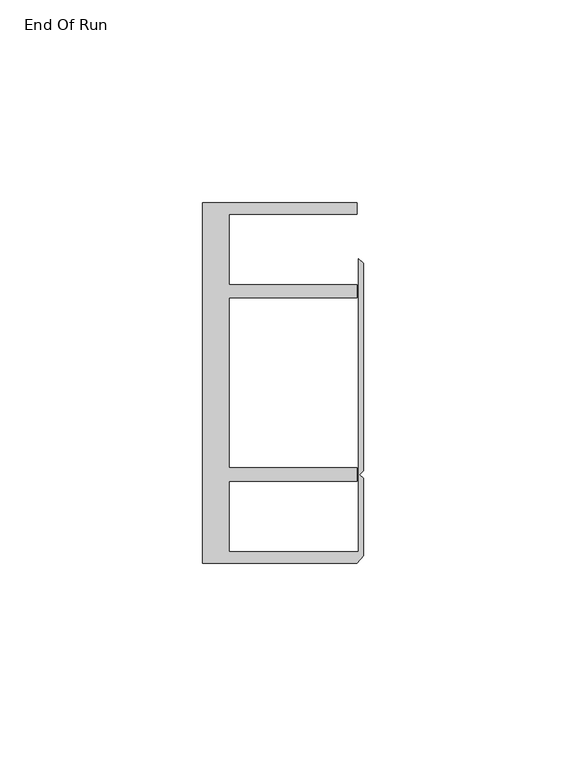
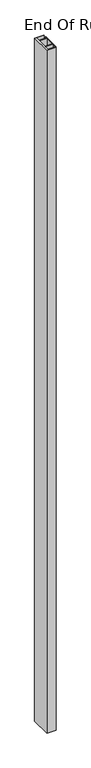
"""IFC4 building model written with IfcOpenShell, lengths in millimetres: furniture geometry, End Of Run."""

import ifcopenshell
import ifcopenshell.guid

model = None  # the IFC model being written
_history = None  # IfcOwnerHistory: only IFC2X3 demands one
_inside = {}  # id of a spatial element -> (the spatial element, [elements in it])
_under = {}  # id of a project, library or spatial element -> (it, [spatial elements below it])
_declared = {}  # id of a project -> (the project, [libraries it declares])
_typed = {}  # id of a type object -> (the type object, [elements of that type])
_made_of = {}  # id of a material, layer set ... -> (it, [elements and type objects made of it])


def new_model(schema):
    """Start an empty IFC model of exactly this schema.

    Asked for "IFC4X3", IfcOpenShell would pick the latest addendum, in which some entities
    have other attributes; the version numbers below select the first issue.
    IFC2X3 requires an IfcOwnerHistory on every rooted entity: one is made here for all.
    """
    global model, _history
    if schema == "IFC4X3":
        model = ifcopenshell.file(schema_version=(4, 3, 0, 0))
    else:
        model = ifcopenshell.file(schema=schema)
    _inside.clear()
    _under.clear()
    _declared.clear()
    _typed.clear()
    _made_of.clear()
    _history = None
    if model.schema == "IFC2X3":
        org = make("IfcOrganization", Name="unknown")
        user = make(
            "IfcPersonAndOrganization",
            ThePerson=make("IfcPerson", FamilyName="unknown"),
            TheOrganization=org,
        )
        app = make(
            "IfcApplication",
            ApplicationDeveloper=org,
            Version="unknown",
            ApplicationFullName="unknown",
            ApplicationIdentifier="unknown",
        )
        _history = make(
            "IfcOwnerHistory",
            OwningUser=user,
            OwningApplication=app,
            ChangeAction="ADDED",
            CreationDate=0,
        )
    return model


def make(cls, **values):
    """One entity of the class cls with the attributes given. An attribute that is None is left unset."""
    return model.create_entity(
        cls, **{name: value for name, value in values.items() if value is not None}
    )


def rooted(cls, **values):
    """An entity with a GlobalId (a new one), such as an element, a storey or a relation."""
    return make(cls, GlobalId=ifcopenshell.guid.new(), OwnerHistory=_history, **values)


def si_unit(unit_type, name, prefix=None):
    """IfcSIUnit, for example si_unit("LENGTHUNIT", "METRE", prefix="MILLI")."""
    return make("IfcSIUnit", UnitType=unit_type, Prefix=prefix, Name=name)


def assignment(units):
    """IfcUnitAssignment: the units of a project."""
    return None if units is None else make("IfcUnitAssignment", Units=units)


def point(xyz):
    """IfcCartesianPoint."""
    return None if xyz is None else make("IfcCartesianPoint", Coordinates=xyz)


def direction(xyz):
    """IfcDirection."""
    return None if xyz is None else make("IfcDirection", DirectionRatios=xyz)


def frame(location, z_axis=None, x_axis=None):
    """IfcAxis2Placement3D, a coordinate frame: its origin and axes. An axis left out is left unset."""
    return make(
        "IfcAxis2Placement3D",
        Location=point(location),
        Axis=direction(z_axis),
        RefDirection=direction(x_axis),
    )


def origin():
    """The frame at (0, 0, 0) with its axes left unset."""
    return frame((0.0, 0.0, 0.0))


def origin_with_axes():
    """The frame at (0, 0, 0) with the z axis (0, 0, 1) and the x axis (1, 0, 0) written out."""
    return frame((0.0, 0.0, 0.0), z_axis=(0.0, 0.0, 1.0), x_axis=(1.0, 0.0, 0.0))


def place(relative_to, where):
    """IfcLocalPlacement: puts the frame where relative to a parent placement (None: the world)."""
    return make(
        "IfcLocalPlacement", PlacementRelTo=relative_to, RelativePlacement=where
    )


def context(
    kind, dimensions, precision=None, world=None, true_north=None, identifier=None
):
    """IfcGeometricRepresentationContext, for example the 3D "Model" context."""
    return make(
        "IfcGeometricRepresentationContext",
        ContextIdentifier=identifier,
        ContextType=kind,
        CoordinateSpaceDimension=dimensions,
        Precision=precision,
        WorldCoordinateSystem=world,
        TrueNorth=true_north,
    )


def project(units=None, contexts=None):
    """IfcProject with its units and contexts."""
    return rooted(
        "IfcProject",
        Name="project",
        RepresentationContexts=contexts,
        UnitsInContext=assignment(units),
    )


def spatial(cls, under=None, at=None, **own):
    """A site, building, storey or space (cls), placed at a placement, below another one or the project."""
    s = rooted(cls, ObjectPlacement=at, **own)
    if under is not None:
        _under.setdefault(under.id(), (under, []))[1].append(s)
    return s


def polyline(points):
    """IfcPolyline through the points."""
    return make("IfcPolyline", Points=[point(p) for p in points])


def outline(outer, holes=None, kind="AREA"):
    """IfcArbitraryClosedProfileDef: a profile drawn as a closed curve; with holes, ...WithVoids."""
    if holes is None:
        return make("IfcArbitraryClosedProfileDef", ProfileType=kind, OuterCurve=outer)
    return make(
        "IfcArbitraryProfileDefWithVoids",
        ProfileType=kind,
        OuterCurve=outer,
        InnerCurves=holes,
    )


def extrude(swept, where, along, depth):
    """IfcExtrudedAreaSolid: the profile swept, set in the frame where, extruded along a direction by depth."""
    return make(
        "IfcExtrudedAreaSolid",
        SweptArea=swept,
        Position=where,
        ExtrudedDirection=direction(along),
        Depth=depth,
    )


def shape(context_of_items, identifier, shape_type, items):
    """IfcShapeRepresentation: the items that make up one representation, for example the "Body"."""
    return make(
        "IfcShapeRepresentation",
        ContextOfItems=context_of_items,
        RepresentationIdentifier=identifier,
        RepresentationType=shape_type,
        Items=items,
    )


def source(mapping_origin, context_of_items, identifier, shape_type, items):
    """IfcRepresentationMap: a shape defined once, which mapped items show again and again."""
    return make(
        "IfcRepresentationMap",
        MappingOrigin=mapping_origin,
        MappedRepresentation=shape(context_of_items, identifier, shape_type, items),
    )


def transform(
    local_origin,
    x_axis=None,
    y_axis=None,
    z_axis=None,
    scale=None,
    scale2=None,
    scale3=None,
    uniform=True,
):
    """IfcCartesianTransformationOperator3D, or its non-uniform kind. x_axis, y_axis, z_axis: its Axis1, 2, 3."""
    if uniform:
        return make(
            "IfcCartesianTransformationOperator3D",
            Axis1=direction(x_axis),
            Axis2=direction(y_axis),
            LocalOrigin=point(local_origin),
            Scale=scale,
            Axis3=direction(z_axis),
        )
    return make(
        "IfcCartesianTransformationOperator3DnonUniform",
        Axis1=direction(x_axis),
        Axis2=direction(y_axis),
        LocalOrigin=point(local_origin),
        Scale=scale,
        Axis3=direction(z_axis),
        Scale2=scale2,
        Scale3=scale3,
    )


def mapped(mapping_source, mapping_target):
    """IfcMappedItem: shows the shape of a source again, moved by a transform."""
    return make(
        "IfcMappedItem", MappingSource=mapping_source, MappingTarget=mapping_target
    )


def made_of(thing, what):
    """Note that an element or type object is made of a material, layer set ...; save() writes the relation."""
    if what is not None:
        _made_of.setdefault(what.id(), (what, []))[1].append(thing)
    return thing


def element(
    cls,
    number,
    at=None,
    inside=None,
    cuts=None,
    type_object=None,
    material=None,
    context=None,
    identifier="Body",
    shape_type=None,
    held_by="IfcProductDefinitionShape",
    body=None,
    shapes=None,
    **own,
):
    """One element of the class cls, such as IfcWall. Its Tag is "e" and its number.

    at: its placement. inside: the storey or other place that contains it. cuts: it is an
    opening in that element (IfcRelVoidsElement). A single representation is given by context,
    identifier, shape_type and body (its items); several are given by shapes. held_by: the class
    of the entity that holds the representations. save() writes the other relations.
    """
    e = rooted(cls, Tag="e%d" % number, ObjectPlacement=at, **own)
    if body is not None:
        shapes = [shape(context, identifier, shape_type, body)]
    if shapes is not None:
        e.Representation = make(held_by, Representations=shapes)
    if inside is not None:
        _inside.setdefault(inside.id(), (inside, []))[1].append(e)
    if cuts is not None:
        rooted(
            "IfcRelVoidsElement", RelatingBuildingElement=cuts, RelatedOpeningElement=e
        )
    if type_object is not None:
        _typed.setdefault(type_object.id(), (type_object, []))[1].append(e)
    return made_of(e, material)


def aggregate(whole, parts):
    """IfcRelAggregates: a whole, such as a stair, and the parts it consists of."""
    return rooted("IfcRelAggregates", RelatingObject=whole, RelatedObjects=parts)


def save(model, path):
    """Write the relations noted so far, then the file.

    IfcRelAggregates (storeys below a building ...), IfcRelContainedInSpatialStructure (elements
    in a storey), IfcRelDefinesByType, IfcRelAssociatesMaterial and IfcRelDeclares: one each for
    every whole, place, type object, material and project.
    """
    for whole, parts in _under.values():
        aggregate(whole, parts)
    for where, things in _inside.values():
        rooted(
            "IfcRelContainedInSpatialStructure",
            RelatedElements=things,
            RelatingStructure=where,
        )
    for kind, things in _typed.values():
        rooted("IfcRelDefinesByType", RelatedObjects=things, RelatingType=kind)
    for what, things in _made_of.values():
        rooted("IfcRelAssociatesMaterial", RelatedObjects=things, RelatingMaterial=what)
    for by, libraries in _declared.values():
        rooted("IfcRelDeclares", RelatingContext=by, RelatedDefinitions=libraries)
    model.write(path)


def end_of_run_9b0afcb5(model_context):
    return source(origin(), model_context, "Body", "SweptSolid", [
        extrude(outline(polyline([(29.9771531, 59.951805), (68.0771531, 59.951805), (68.0771531, 57.1518064), (36.5771534, 57.1518064), (36.5771534, 39.7518058), (68.0771531, 39.7518058), (68.0771531, 36.4518057), (36.5771534, 36.4518057), (36.5771534, -5.4481956), (68.0771531, -5.4481956), (68.0771531, -8.7481957), (36.5771534, -8.7481957), (36.5771534, -26.1481963), (68.5195633, -26.1481963), (68.5195633, 46.1177636), (69.6646531, 44.9726737), (69.6646531, -6.2135897), (68.7563205, -7.1219223), (69.6646531, -8.0302549), (69.6646531, -27.0760904), (68.0771531, -28.948195), (29.9771531, -28.948195), (29.9771531, 59.951805)])), origin_with_axes(), (0.0, 0.0, 1.0), 3048.0),
    ])


if __name__ == "__main__":
    model = new_model("IFC4")
    model_context = context("Model", 3, world=origin())
    ifc_project = project(units=[si_unit("LENGTHUNIT", "METRE", prefix="MILLI")], contexts=[model_context])
    site = spatial("IfcSite", under=ifc_project)
    building = spatial("IfcBuilding", under=site)
    placement = place(None, origin())
    end_of_run_shape = end_of_run_9b0afcb5(model_context)
    element("IfcFurniture", 1, ObjectType="End Of Run", at=placement, inside=building, context=model_context, shape_type="MappedRepresentation", body=[
        mapped(end_of_run_shape, transform((0.0, 0.0, 0.0), x_axis=(1.0, 0.0, 0.0), y_axis=(0.0, 1.0, 0.0), z_axis=(0.0, 0.0, 1.0))),
    ])
    save(model, "model.ifc")
